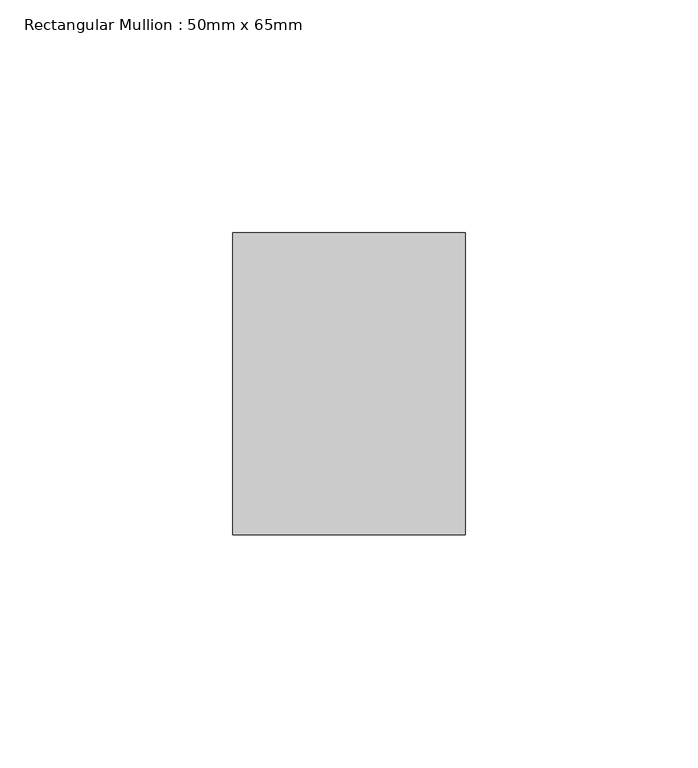
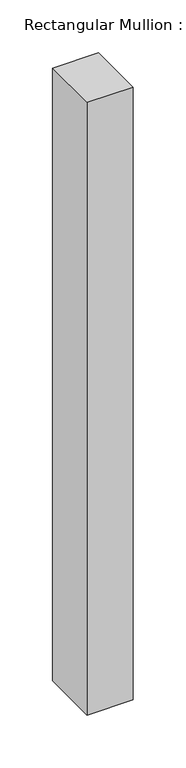
"""IFC4 building model written with IfcOpenShell, lengths in millimetres: member geometry, Rectangular Mullion : 50mm x 65mm."""

import ifcopenshell
import ifcopenshell.guid

model = None  # the IFC model being written
_history = None  # IfcOwnerHistory: only IFC2X3 demands one
_inside = {}  # id of a spatial element -> (the spatial element, [elements in it])
_under = {}  # id of a project, library or spatial element -> (it, [spatial elements below it])
_declared = {}  # id of a project -> (the project, [libraries it declares])
_typed = {}  # id of a type object -> (the type object, [elements of that type])
_made_of = {}  # id of a material, layer set ... -> (it, [elements and type objects made of it])


def new_model(schema):
    """Start an empty IFC model of exactly this schema.

    Asked for "IFC4X3", IfcOpenShell would pick the latest addendum, in which some entities
    have other attributes; the version numbers below select the first issue.
    IFC2X3 requires an IfcOwnerHistory on every rooted entity: one is made here for all.
    """
    global model, _history
    if schema == "IFC4X3":
        model = ifcopenshell.file(schema_version=(4, 3, 0, 0))
    else:
        model = ifcopenshell.file(schema=schema)
    _inside.clear()
    _under.clear()
    _declared.clear()
    _typed.clear()
    _made_of.clear()
    _history = None
    if model.schema == "IFC2X3":
        org = make("IfcOrganization", Name="unknown")
        user = make(
            "IfcPersonAndOrganization",
            ThePerson=make("IfcPerson", FamilyName="unknown"),
            TheOrganization=org,
        )
        app = make(
            "IfcApplication",
            ApplicationDeveloper=org,
            Version="unknown",
            ApplicationFullName="unknown",
            ApplicationIdentifier="unknown",
        )
        _history = make(
            "IfcOwnerHistory",
            OwningUser=user,
            OwningApplication=app,
            ChangeAction="ADDED",
            CreationDate=0,
        )
    return model


def make(cls, **values):
    """One entity of the class cls with the attributes given. An attribute that is None is left unset."""
    return model.create_entity(
        cls, **{name: value for name, value in values.items() if value is not None}
    )


def rooted(cls, **values):
    """An entity with a GlobalId (a new one), such as an element, a storey or a relation."""
    return make(cls, GlobalId=ifcopenshell.guid.new(), OwnerHistory=_history, **values)


def si_unit(unit_type, name, prefix=None):
    """IfcSIUnit, for example si_unit("LENGTHUNIT", "METRE", prefix="MILLI")."""
    return make("IfcSIUnit", UnitType=unit_type, Prefix=prefix, Name=name)


def assignment(units):
    """IfcUnitAssignment: the units of a project."""
    return None if units is None else make("IfcUnitAssignment", Units=units)


def point(xyz):
    """IfcCartesianPoint."""
    return None if xyz is None else make("IfcCartesianPoint", Coordinates=xyz)


def direction(xyz):
    """IfcDirection."""
    return None if xyz is None else make("IfcDirection", DirectionRatios=xyz)


def frame(location, z_axis=None, x_axis=None):
    """IfcAxis2Placement3D, a coordinate frame: its origin and axes. An axis left out is left unset."""
    return make(
        "IfcAxis2Placement3D",
        Location=point(location),
        Axis=direction(z_axis),
        RefDirection=direction(x_axis),
    )


def origin():
    """The frame at (0, 0, 0) with its axes left unset."""
    return frame((0.0, 0.0, 0.0))


def place(relative_to, where):
    """IfcLocalPlacement: puts the frame where relative to a parent placement (None: the world)."""
    return make(
        "IfcLocalPlacement", PlacementRelTo=relative_to, RelativePlacement=where
    )


def context(
    kind, dimensions, precision=None, world=None, true_north=None, identifier=None
):
    """IfcGeometricRepresentationContext, for example the 3D "Model" context."""
    return make(
        "IfcGeometricRepresentationContext",
        ContextIdentifier=identifier,
        ContextType=kind,
        CoordinateSpaceDimension=dimensions,
        Precision=precision,
        WorldCoordinateSystem=world,
        TrueNorth=true_north,
    )


def project(units=None, contexts=None):
    """IfcProject with its units and contexts."""
    return rooted(
        "IfcProject",
        Name="project",
        RepresentationContexts=contexts,
        UnitsInContext=assignment(units),
    )


def spatial(cls, under=None, at=None, **own):
    """A site, building, storey or space (cls), placed at a placement, below another one or the project."""
    s = rooted(cls, ObjectPlacement=at, **own)
    if under is not None:
        _under.setdefault(under.id(), (under, []))[1].append(s)
    return s


def polyline(points):
    """IfcPolyline through the points."""
    return make("IfcPolyline", Points=[point(p) for p in points])


def outline(outer, holes=None, kind="AREA"):
    """IfcArbitraryClosedProfileDef: a profile drawn as a closed curve; with holes, ...WithVoids."""
    if holes is None:
        return make("IfcArbitraryClosedProfileDef", ProfileType=kind, OuterCurve=outer)
    return make(
        "IfcArbitraryProfileDefWithVoids",
        ProfileType=kind,
        OuterCurve=outer,
        InnerCurves=holes,
    )


def extrude(swept, where, along, depth):
    """IfcExtrudedAreaSolid: the profile swept, set in the frame where, extruded along a direction by depth."""
    return make(
        "IfcExtrudedAreaSolid",
        SweptArea=swept,
        Position=where,
        ExtrudedDirection=direction(along),
        Depth=depth,
    )


def shape(context_of_items, identifier, shape_type, items):
    """IfcShapeRepresentation: the items that make up one representation, for example the "Body"."""
    return make(
        "IfcShapeRepresentation",
        ContextOfItems=context_of_items,
        RepresentationIdentifier=identifier,
        RepresentationType=shape_type,
        Items=items,
    )


def source(mapping_origin, context_of_items, identifier, shape_type, items):
    """IfcRepresentationMap: a shape defined once, which mapped items show again and again."""
    return make(
        "IfcRepresentationMap",
        MappingOrigin=mapping_origin,
        MappedRepresentation=shape(context_of_items, identifier, shape_type, items),
    )


def transform(
    local_origin,
    x_axis=None,
    y_axis=None,
    z_axis=None,
    scale=None,
    scale2=None,
    scale3=None,
    uniform=True,
):
    """IfcCartesianTransformationOperator3D, or its non-uniform kind. x_axis, y_axis, z_axis: its Axis1, 2, 3."""
    if uniform:
        return make(
            "IfcCartesianTransformationOperator3D",
            Axis1=direction(x_axis),
            Axis2=direction(y_axis),
            LocalOrigin=point(local_origin),
            Scale=scale,
            Axis3=direction(z_axis),
        )
    return make(
        "IfcCartesianTransformationOperator3DnonUniform",
        Axis1=direction(x_axis),
        Axis2=direction(y_axis),
        LocalOrigin=point(local_origin),
        Scale=scale,
        Axis3=direction(z_axis),
        Scale2=scale2,
        Scale3=scale3,
    )


def mapped(mapping_source, mapping_target):
    """IfcMappedItem: shows the shape of a source again, moved by a transform."""
    return make(
        "IfcMappedItem", MappingSource=mapping_source, MappingTarget=mapping_target
    )


def made_of(thing, what):
    """Note that an element or type object is made of a material, layer set ...; save() writes the relation."""
    if what is not None:
        _made_of.setdefault(what.id(), (what, []))[1].append(thing)
    return thing


def element(
    cls,
    number,
    at=None,
    inside=None,
    cuts=None,
    type_object=None,
    material=None,
    context=None,
    identifier="Body",
    shape_type=None,
    held_by="IfcProductDefinitionShape",
    body=None,
    shapes=None,
    **own,
):
    """One element of the class cls, such as IfcWall. Its Tag is "e" and its number.

    at: its placement. inside: the storey or other place that contains it. cuts: it is an
    opening in that element (IfcRelVoidsElement). A single representation is given by context,
    identifier, shape_type and body (its items); several are given by shapes. held_by: the class
    of the entity that holds the representations. save() writes the other relations.
    """
    e = rooted(cls, Tag="e%d" % number, ObjectPlacement=at, **own)
    if body is not None:
        shapes = [shape(context, identifier, shape_type, body)]
    if shapes is not None:
        e.Representation = make(held_by, Representations=shapes)
    if inside is not None:
        _inside.setdefault(inside.id(), (inside, []))[1].append(e)
    if cuts is not None:
        rooted(
            "IfcRelVoidsElement", RelatingBuildingElement=cuts, RelatedOpeningElement=e
        )
    if type_object is not None:
        _typed.setdefault(type_object.id(), (type_object, []))[1].append(e)
    return made_of(e, material)


def aggregate(whole, parts):
    """IfcRelAggregates: a whole, such as a stair, and the parts it consists of."""
    return rooted("IfcRelAggregates", RelatingObject=whole, RelatedObjects=parts)


def save(model, path):
    """Write the relations noted so far, then the file.

    IfcRelAggregates (storeys below a building ...), IfcRelContainedInSpatialStructure (elements
    in a storey), IfcRelDefinesByType, IfcRelAssociatesMaterial and IfcRelDeclares: one each for
    every whole, place, type object, material and project.
    """
    for whole, parts in _under.values():
        aggregate(whole, parts)
    for where, things in _inside.values():
        rooted(
            "IfcRelContainedInSpatialStructure",
            RelatedElements=things,
            RelatingStructure=where,
        )
    for kind, things in _typed.values():
        rooted("IfcRelDefinesByType", RelatedObjects=things, RelatingType=kind)
    for what, things in _made_of.values():
        rooted("IfcRelAssociatesMaterial", RelatedObjects=things, RelatingMaterial=what)
    for by, libraries in _declared.values():
        rooted("IfcRelDeclares", RelatingContext=by, RelatedDefinitions=libraries)
    model.write(path)


def rectangular_mullion_50mm_x_65mm_e83e67bc(model_context):
    return source(origin(), model_context, "Body", "SweptSolid", [
        extrude(outline(polyline([(25.0, 32.5), (25.0, -32.5), (-25.0, -32.5), (-25.0, 32.5), (25.0, 32.5)])), frame((0.0, 0.0, -705.7729359), z_axis=(0.0, 0.0, 1.0), x_axis=(1.0, 0.0, 0.0)), (0.0, 0.0, 1.0), 705.7729359),
    ])


if __name__ == "__main__":
    model = new_model("IFC4")
    model_context = context("Model", 3, world=origin())
    ifc_project = project(units=[si_unit("LENGTHUNIT", "METRE", prefix="MILLI")], contexts=[model_context])
    site = spatial("IfcSite", under=ifc_project)
    building = spatial("IfcBuilding", under=site)
    placement = place(None, origin())
    rectangular_mullion_50mm_x_65mm_shape = rectangular_mullion_50mm_x_65mm_e83e67bc(model_context)
    element("IfcMember", 1, ObjectType="Rectangular Mullion : 50mm x 65mm", at=placement, inside=building, context=model_context, shape_type="MappedRepresentation", body=[
        mapped(rectangular_mullion_50mm_x_65mm_shape, transform((0.0, 0.0, 0.0), x_axis=(1.0, 0.0, 0.0), y_axis=(0.0, 1.0, 0.0), z_axis=(0.0, 0.0, 1.0))),
    ])
    save(model, "model.ifc")
